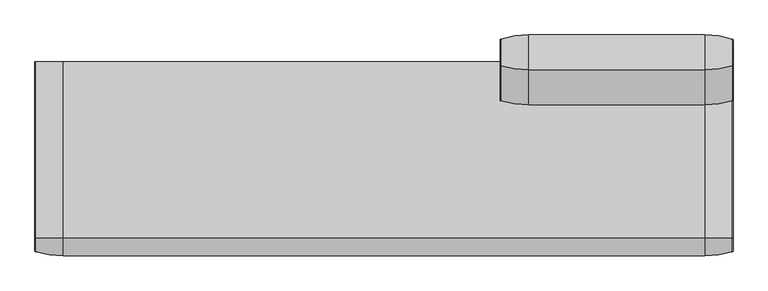
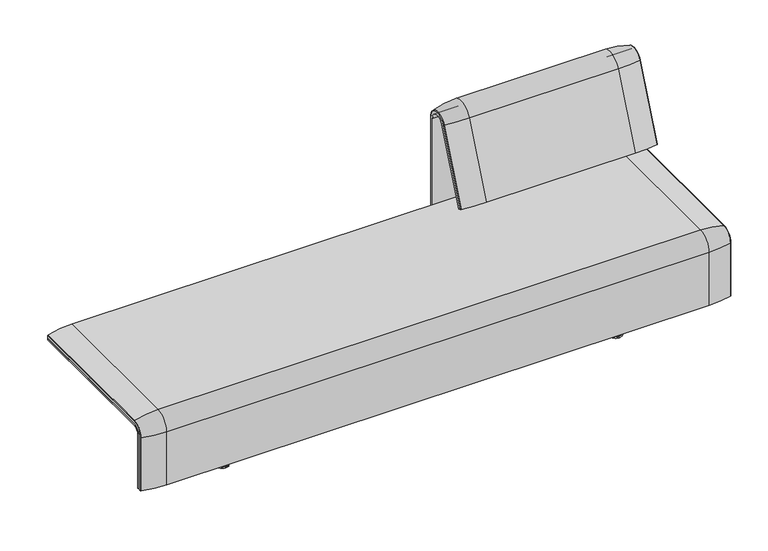
"""IFC4 building model written with IfcOpenShell, lengths in millimetres: furniture geometry."""

from ifc_helpers import new_model, si_unit, point, frame, frame_2d, origin, place, context, project, spatial, polyline, circle_curve, ellipse_curve, trimmed, segment, composite_curve, outline, extrude, source, transform, mapped, element, save
from ifc_brep_helpers import plane_surface, cylinder_surface, revolved_surface, advanced_brep


def furniture_7c0cd62c(model_context):
    return source(origin(), model_context, "Body", "SolidModel", [
        advanced_brep(
        [(1124.0215056, 388.2902376, 100.5089435), (1221.8828771, 373.93893, 100.5089435), (1224.0215056, 371.0652495, 100.5089435), (1224.0215056, 359.7858817, 100.5089435), (408.0071685, 359.7858817, 100.5089435), (408.0071685, 371.0652495, 100.5089435), (410.1457971, 373.93893, 100.5089435), (508.0071685, 388.2902376, 100.5089435), (508.0071685, 388.2902376, 720.3417731), (1124.0215056, 388.2902376, 720.3417731), (1221.8828771, 373.93893, 720.3417731), (1224.0215056, 371.0652495, 720.3417731), (1224.0215056, 282.0164812, 738.0210907), (1224.0215056, 159.7723383, 442.2908598), (1224.0215056, 170.1962447, 437.9819952), (1224.0215056, 292.4403877, 733.7122262), (1224.0215056, 359.7858817, 720.3417731), (408.0071685, 359.7858817, 720.3417731), (1124.0215056, 143.8537454, 448.8710282), (508.0071685, 143.8537454, 448.8710282), (410.1457971, 157.1166065, 443.3886429), (408.0071685, 159.7723383, 442.2908598), (408.0071685, 170.1962447, 437.9819952), (1221.8828771, 157.1166065, 443.3886429), (1124.0215056, 266.0978884, 744.6012592), (508.0071685, 266.0978884, 744.6012592), (1221.8828771, 279.3607494, 739.1188739), (408.0071685, 292.4403877, 733.7122262), (408.0071685, 282.0164812, 738.0210907), (408.0071685, 371.0652495, 720.3417731), (410.1457971, 373.93893, 720.3417731), (410.1457971, 279.3607494, 739.1188739)],
        [
            (0, 1, circle_curve(frame((1124.0215056, 47.4569043, 100.5089435), z_axis=(0.0, 0.0, -1.0), x_axis=(0.0, -1.0, 0.0)), 340.8333333)),
            (1, 2, circle_curve(frame((1221.0215056, 371.0652495, 100.5089435), z_axis=(0.0, 0.0, -1.0), x_axis=(1.0, 0.0, 0.0)), 3.0)),
            (2, 3),
            (3, 4),
            (4, 5),
            (5, 6, circle_curve(frame((411.0071685, 371.0652495, 100.5089435), z_axis=(0.0, 0.0, -1.0), x_axis=(-1.0, 0.0, 0.0)), 3.0)),
            (6, 7, circle_curve(frame((508.0071685, 47.4569043, 100.5089435), z_axis=(0.0, 0.0, -1.0), x_axis=(0.0, -1.0, 0.0)), 340.8333333)),
            (7, 0),
            (7, 8),
            (8, 9),
            (9, 0),
            (9, 10, circle_curve(frame((1124.0215056, 47.4569043, 720.3417731), z_axis=(0.0, 0.0, -1.0), x_axis=(0.0, -1.0, 0.0)), 340.8333333)),
            (10, 1),
            (10, 11, circle_curve(frame((1221.0215056, 371.0652495, 720.3417731), z_axis=(0.0, 0.0, -1.0), x_axis=(1.0, 0.0, 0.0)), 3.0)),
            (11, 2),
            (11, 12, circle_curve(frame((1224.0215056, 324.7858817, 720.3417731), z_axis=(1.0, 0.0, 0.0), x_axis=(0.0, 1.0, 0.0)), 46.2793679)),
            (12, 13),
            (13, 14),
            (14, 15),
            (15, 16, circle_curve(frame((1224.0215056, 324.7858817, 720.3417731), z_axis=(-1.0, 0.0, 0.0), x_axis=(0.0, 1.0, 0.0)), 35.0)),
            (16, 3),
            (16, 17),
            (17, 4),
            (18, 19),
            (19, 20, circle_curve(frame((508.0071685, 458.8372467, 318.6682822), z_axis=(0.0, -0.38201294675155345, -0.9241569717933176), x_axis=(0.0, 0.9241569717933176, -0.38201294675155345)), 340.8333333)),
            (20, 21, circle_curve(frame((411.0071685, 159.7723383, 442.2908598), z_axis=(0.0, -0.38201294675155345, -0.9241569717933176), x_axis=(-1.0, 0.0, 0.0)), 3.0)),
            (21, 22),
            (22, 14),
            (13, 23, circle_curve(frame((1221.0215056, 159.7723383, 442.2908598), z_axis=(0.0, -0.38201294675155345, -0.9241569717933176), x_axis=(1.0, 0.0, 0.0)), 3.0)),
            (23, 18, circle_curve(frame((1124.0215056, 458.8372467, 318.6682822), z_axis=(0.0, -0.38201294675155345, -0.9241569717933176), x_axis=(0.0, 0.9241569717933176, -0.38201294675155345)), 340.8333333)),
            (24, 9, circle_curve(frame((1124.0215056, 324.7858817, 720.3417731), z_axis=(-1.0, 0.0, 0.0), x_axis=(0.0, 1.0, 0.0)), 63.5043559)),
            (8, 25, circle_curve(frame((508.0071685, 324.7858817, 720.3417731), z_axis=(1.0, 0.0, 0.0), x_axis=(0.0, 1.0, 0.0)), 63.5043559)),
            (25, 24),
            (26, 10, circle_curve(frame((1221.8828771, 324.7858817, 720.3417731), z_axis=(-1.0, 0.0, 0.0), x_axis=(0.0, 1.0, 0.0)), 49.1530483)),
            (24, 26, circle_curve(frame((1124.0215056, 581.0813896, 614.3985132), z_axis=(0.0, 0.382012946751556, 0.9241569717933165), x_axis=(0.0, 0.9241569717933165, -0.382012946751556)), 340.8333333)),
            (26, 12, circle_curve(frame((1221.0215056, 282.0164812, 738.0210907), z_axis=(0.0, 0.3820129467515552, 0.9241569717933168), x_axis=(1.0, 0.0, 0.0)), 3.0)),
            (27, 17, circle_curve(frame((408.0071685, 324.7858817, 720.3417731), z_axis=(-1.0, 0.0, 0.0), x_axis=(0.0, 1.0, 0.0)), 35.0)),
            (15, 27),
            (25, 19),
            (18, 24),
            (23, 26),
            (22, 27),
            (21, 28),
            (28, 29, circle_curve(frame((408.0071685, 324.7858817, 720.3417731), z_axis=(-1.0, 0.0, 0.0), x_axis=(0.0, 1.0, 0.0)), 46.2793679)),
            (29, 5),
            (29, 30, circle_curve(frame((411.0071685, 371.0652495, 720.3417731), z_axis=(0.0, 0.0, -1.0), x_axis=(-1.0, 0.0, 0.0)), 3.0)),
            (30, 6),
            (30, 8, circle_curve(frame((508.0071685, 47.4569043, 720.3417731), z_axis=(0.0, 0.0, -1.0), x_axis=(0.0, -1.0, 0.0)), 340.8333333)),
            (31, 30, circle_curve(frame((410.1457971, 324.7858817, 720.3417731), z_axis=(-1.0, 0.0, 0.0), x_axis=(0.0, 1.0, 0.0)), 49.1530483)),
            (28, 31, circle_curve(frame((411.0071685, 282.0164812, 738.0210907), z_axis=(0.0, 0.3820129467515544, 0.9241569717933172), x_axis=(-1.0, 0.0, 0.0)), 3.0)),
            (31, 25, circle_curve(frame((508.0071685, 581.0813896, 614.3985132), z_axis=(0.0, 0.3820129467515532, 0.9241569717933177), x_axis=(0.0, 0.9241569717933177, -0.3820129467515532)), 340.8333333)),
            (20, 31),
        ],
        [
            plane_surface(frame((820.7793603, 359.7858817, 100.5089435), z_axis=(0.0, 0.0, -1.0), x_axis=(1.0, 0.0, 0.0))),
            plane_surface(frame((508.0071685, 388.2902376, 100.5089435), z_axis=(0.0, 1.0, 0.0), x_axis=(0.0, 0.0, 1.0))),
            cylinder_surface(frame((1124.0215056, 47.4569043, 100.5089435), z_axis=(0.0, 0.0, -1.0), x_axis=(0.0, -1.0, 0.0)), 340.8333333),
            cylinder_surface(frame((1221.0215056, 371.0652495, 100.5089435), z_axis=(0.0, 0.0, -1.0), x_axis=(1.0, 0.0, 0.0)), 3.0),
            plane_surface(frame((1224.0215056, 371.0652495, 100.5089435), z_axis=(1.0, 0.0, 0.0), x_axis=(0.0, 0.0, 1.0))),
            plane_surface(frame((1224.0215056, 359.7858817, 100.5089435), z_axis=(0.0, -1.0, 0.0), x_axis=(0.0, 0.0, 1.0))),
            plane_surface(frame((820.7793603, 170.1962447, 437.9819952), z_axis=(0.0, -0.38201294675155345, -0.9241569717933176), x_axis=(1.0, 0.0, 0.0))),
            cylinder_surface(frame((820.7793603, 324.7858817, 720.3417731), z_axis=(1.0, 0.0, 0.0), x_axis=(0.0, 1.0, 0.0)), 63.5043559),
            revolved_surface(trimmed(ellipse_curve(frame((1124.0215056, 47.4569043, 720.3417731), z_axis=(0.0, 0.0, -1.0), x_axis=(0.0, -1.0, 0.0)), 340.8333333, 340.8333333), [point((1124.0215056, 388.2902376, 720.3417731))], [point((1221.8828771, 373.93893, 720.3417731))], True, "CARTESIAN"), (820.7793603, 324.7858817, 720.3417731), (1.0, 0.0, 0.0)),
            revolved_surface(trimmed(ellipse_curve(frame((1221.0215056, 371.0652495, 720.3417731), z_axis=(0.0, 0.0, -1.0), x_axis=(1.0, 0.0, 0.0)), 3.0, 3.0), [point((1221.8828771, 373.93893, 720.3417731))], [point((1224.0215056, 371.0652495, 720.3417731))], True, "CARTESIAN"), (820.7793603, 324.7858817, 720.3417731), (1.0, 0.0, 0.0)),
            revolved_surface(polyline([(1224.0215056, 359.7858817, 720.3417731), (408.0071685, 359.7858817, 720.3417731)]), (820.7793603, 324.7858817, 720.3417731), (1.0, 0.0, 0.0)),
            plane_surface(frame((508.0071685, 266.0978884, 744.6012592), z_axis=(0.0, -0.9241569717933176, 0.38201294675155356), x_axis=(0.0, -0.38201294675155356, -0.9241569717933176))),
            cylinder_surface(frame((1124.0215056, 581.0813896, 614.3985132), z_axis=(0.0, 0.38201294675155345, 0.9241569717933176), x_axis=(0.0, 0.9241569717933176, -0.38201294675155345)), 340.8333333),
            cylinder_surface(frame((1221.0215056, 282.0164812, 738.0210907), z_axis=(0.0, 0.38201294675155345, 0.9241569717933176), x_axis=(1.0, 0.0, 0.0)), 3.0),
            plane_surface(frame((1224.0215056, 292.4403877, 733.7122262), z_axis=(0.0, 0.9241569717933176, -0.38201294675155356), x_axis=(0.0, -0.38201294675155356, -0.9241569717933176))),
            plane_surface(frame((408.0071685, 359.7858817, 100.5089435), z_axis=(-1.0, 0.0, 0.0), x_axis=(0.0, 0.0, 1.0))),
            cylinder_surface(frame((411.0071685, 371.0652495, 100.5089435), z_axis=(0.0, 0.0, -1.0), x_axis=(-1.0, 0.0, 0.0)), 3.0),
            cylinder_surface(frame((508.0071685, 47.4569043, 100.5089435), z_axis=(0.0, 0.0, -1.0), x_axis=(0.0, -1.0, 0.0)), 340.8333333),
            revolved_surface(trimmed(ellipse_curve(frame((411.0071685, 371.0652495, 720.3417731), z_axis=(0.0, 0.0, -1.0), x_axis=(-1.0, 0.0, 0.0)), 3.0, 3.0), [point((408.0071685, 371.0652495, 720.3417731))], [point((410.1457971, 373.93893, 720.3417731))], True, "CARTESIAN"), (820.7793603, 324.7858817, 720.3417731), (1.0, 0.0, 0.0)),
            revolved_surface(trimmed(ellipse_curve(frame((508.0071685, 47.4569043, 720.3417731), z_axis=(0.0, 0.0, -1.0), x_axis=(0.0, -1.0, 0.0)), 340.8333333, 340.8333333), [point((410.1457971, 373.93893, 720.3417731))], [point((508.0071685, 388.2902376, 720.3417731))], True, "CARTESIAN"), (820.7793603, 324.7858817, 720.3417731), (1.0, 0.0, 0.0)),
            cylinder_surface(frame((411.0071685, 282.0164812, 738.0210907), z_axis=(0.0, 0.38201294675155345, 0.9241569717933176), x_axis=(-1.0, 0.0, 0.0)), 3.0),
            cylinder_surface(frame((508.0071685, 581.0813896, 614.3985132), z_axis=(0.0, 0.38201294675155345, 0.9241569717933176), x_axis=(0.0, 0.9241569717933176, -0.38201294675155345)), 340.8333333),
        ],
        [
            (0, [[1, 2, 3, 4, 5, 6, 7, 8]]),
            (1, [[-8, 9, 10, 11]]),
            (2, [[-1, -11, 12, 13]]),
            (3, [[-2, -13, 14, 15]]),
            (4, [[-3, -15, 16, 17, 18, 19, 20, 21]]),
            (5, [[-4, -21, 22, 23]]),
            (6, [[24, 25, 26, 27, 28, -18, 29, 30]]),
            (7, [[31, -10, 32, 33]]),
            (8, [[34, -12, -31, 35]]),
            (9, [[-16, -14, -34, 36]]),
            (10, [[37, -22, -20, 38]]),
            (11, [[-33, 39, -24, 40]]),
            (12, [[-35, -40, -30, 41]]),
            (13, [[-36, -41, -29, -17]]),
            (14, [[-38, -19, -28, 42]]),
            (15, [[-5, -23, -37, -42, -27, 43, 44, 45]]),
            (16, [[-6, -45, 46, 47]]),
            (17, [[-7, -47, 48, -9]]),
            (18, [[49, -46, -44, 50]]),
            (19, [[-32, -48, -49, 51]]),
            (20, [[-50, -43, -26, 52]]),
            (21, [[-51, -52, -25, -39]]),
        ],
    ),
        extrude(outline(composite_curve([segment(trimmed(circle_curve(frame_2d((305.0000061, 379.9223263)), 30.0), [point((305.0000061, 349.9223263))], [point((335.0000061, 379.9223263))], True, "CARTESIAN"), True, "CONTINUOUS"), segment(polyline([(335.0000061, 379.9223263), (335.0000061, 515.0657595)]), True, "CONTINUOUS"), segment(trimmed(circle_curve(frame_2d((305.0000061, 515.0657595)), 30.0), [point((335.0000061, 515.0657595))], [point((316.7219399, 542.6809051))], True, "CARTESIAN"), True, "CONTINUOUS"), segment(polyline([(316.7219399, 542.6809051), (257.4911714, 567.8228747)]), True, "CONTINUOUS"), segment(trimmed(circle_curve(frame_2d((251.6302045, 554.0153019)), 15.0), [point((257.4911714, 567.8228747))], [point((238.0355877, 560.3545758))], True, "CARTESIAN"), True, "CONTINUOUS"), segment(polyline([(238.0355877, 560.3545758), (222.2725218, 526.5505721), (213.7507451, 529.5682915), (296.3054528, 724.0549949)]), True, "CONTINUOUS"), segment(trimmed(circle_curve(frame_2d((322.520748, 712.9272623)), 28.479258), [point((296.3054528, 724.0549949))], [point((351.0000061, 712.9272623))], False, "CARTESIAN"), True, "CONTINUOUS"), segment(polyline([(351.0000061, 712.9272623), (351.0000061, 197.0551771), (343.3075759, 197.0551771), (339.4064861, 271.492405)]), True, "CONTINUOUS"), segment(trimmed(circle_curve(frame_2d((309.4476, 269.9223263)), 30.0), [point((339.4064861, 271.492405))], [point((309.4476, 299.9223263))], True, "CARTESIAN"), True, "CONTINUOUS"), segment(polyline([(309.4476, 299.9223263), (270.0000061, 299.9223263), (270.0000061, 359.9223263), (275.0000061, 359.9223263)]), True, "CONTINUOUS"), segment(trimmed(circle_curve(frame_2d((285.0000061, 359.9223263)), 10.0), [point((275.0000061, 359.9223263))], [point((285.0000061, 349.9223263))], True, "CARTESIAN"), True, "CONTINUOUS"), segment(polyline([(285.0000061, 349.9223263), (305.0000061, 349.9223263)]), True, "CONTINUOUS")], self_intersect=False), holes=[composite_curve([segment(polyline([(337.5000061, 576.3274105), (337.5000061, 716.7072663)]), True, "CONTINUOUS"), segment(trimmed(circle_curve(frame_2d((322.5000061, 716.7072663)), 15.0), [point((337.5000061, 716.7072663))], [point((308.9053893, 723.0465402))], True, "CARTESIAN"), True, "CONTINUOUS"), segment(polyline([(308.9053893, 723.0465402), (253.6256191, 604.4986904)]), True, "CONTINUOUS"), segment(trimmed(circle_curve(frame_2d((271.7517748, 596.0463251)), 20.0), [point((253.6256191, 604.4986904))], [point((265.0756376, 577.1934953))], True, "CARTESIAN"), True, "CONTINUOUS"), segment(polyline([(265.0756376, 577.1934953), (314.1406626, 559.8186587)]), True, "CONTINUOUS"), segment(trimmed(circle_curve(frame_2d((319.9867182, 576.3274105)), 17.5132879), [point((314.1406626, 559.8186587))], [point((337.5000061, 576.3274105))], True, "CARTESIAN"), True, "CONTINUOUS")], self_intersect=False)]), frame((531.0195403, 0.0, 0.0), z_axis=(1.0, 0.0, 0.0), x_axis=(0.0, 1.0, 0.0)), (0.0, 0.0, 1.0), 40.0),
        advanced_brep(
        [(-1223.9718733, 295.0, 359.922434), (-1223.9718733, -323.7517936, 359.922434), (-1223.9718733, -351.0, 332.6742277), (-1223.9718733, -351.0, 100.5089435), (-1223.9718733, -357.5, 100.5089435), (-1223.9718733, -357.5, 333.0583003), (-1223.9718733, -324.3858663, 366.172434), (-1223.9718733, 295.0, 366.172434), (1223.9718733, 295.0, 359.922434), (1223.9718733, 295.0, 366.172434), (1223.9718733, -324.3858663, 366.172434), (1223.9718733, -357.5, 333.0583003), (1223.9718733, -357.5, 100.5089435), (1223.9718733, -351.0, 100.5089435), (1223.9718733, -351.0, 332.6742277), (1223.9718733, -323.7517936, 359.922434), (-1189.0718733, -324.3858663, 366.172434), (-1189.0718733, 260.0, 366.172434), (1189.0718733, 260.0, 366.172434), (1189.0718733, -324.3858663, 366.172434), (-1189.0718733, -357.5, 333.0583003), (1189.0718733, -357.5, 333.0583003), (1189.0718733, -357.5, 135.3766997), (-1189.0718733, -357.5, 135.3766997), (-1189.0718733, -351.0, 332.6742277), (-1189.0718733, -351.0, 135.3766997), (1189.0718733, -351.0, 135.3766997), (1189.0718733, -351.0, 332.6742277), (-1189.0718733, -323.7517936, 359.922434), (1189.0718733, -323.7517936, 359.922434), (1189.0718733, 260.0, 359.922434), (-1189.0718733, 260.0, 359.922434)],
        [
            (0, 1),
            (1, 2, circle_curve(frame((-1223.9718733, -323.7517936, 332.6742277), z_axis=(1.0, 0.0, 0.0), x_axis=(0.0, -1.0, 0.0)), 27.2482064)),
            (2, 3),
            (3, 4),
            (4, 5),
            (5, 6, circle_curve(frame((-1223.9718733, -324.3858663, 333.0583003), z_axis=(-1.0, 0.0, 0.0), x_axis=(0.0, -1.0, 0.0)), 33.1141337)),
            (6, 7),
            (7, 0),
            (8, 9),
            (9, 10),
            (10, 11, circle_curve(frame((1223.9718733, -324.3858663, 333.0583003), z_axis=(1.0, 0.0, 0.0), x_axis=(0.0, -1.0, 0.0)), 33.1141337)),
            (11, 12),
            (12, 13),
            (13, 14),
            (14, 15, circle_curve(frame((1223.9718733, -323.7517936, 332.6742277), z_axis=(-1.0, 0.0, 0.0), x_axis=(0.0, -1.0, 0.0)), 27.2482064)),
            (15, 8),
            (7, 9),
            (8, 0),
            (6, 16),
            (16, 17),
            (17, 18),
            (18, 19),
            (19, 10),
            (5, 20),
            (20, 16, circle_curve(frame((-1189.0718733, -324.3858663, 333.0583003), z_axis=(-1.0, 0.0, 0.0), x_axis=(0.0, -1.0, 0.0)), 33.1141337)),
            (19, 21, circle_curve(frame((1189.0718733, -324.3858663, 333.0583003), z_axis=(1.0, 0.0, 0.0), x_axis=(0.0, -1.0, 0.0)), 33.1141337)),
            (21, 11),
            (4, 12),
            (21, 22),
            (22, 23),
            (23, 20),
            (3, 13),
            (2, 24),
            (24, 25),
            (25, 26),
            (26, 27),
            (27, 14),
            (1, 28),
            (28, 24, circle_curve(frame((-1189.0718733, -323.7517936, 332.6742277), z_axis=(1.0, 0.0, 0.0), x_axis=(0.0, -1.0, 0.0)), 27.2482064)),
            (27, 29, circle_curve(frame((1189.0718733, -323.7517936, 332.6742277), z_axis=(-1.0, 0.0, 0.0), x_axis=(0.0, -1.0, 0.0)), 27.2482064)),
            (29, 15),
            (29, 30),
            (30, 31),
            (31, 28),
            (31, 17),
            (23, 25),
            (26, 22),
            (18, 30),
        ],
        [
            plane_surface(frame((-1223.9718733, -296.9265415, 359.922434), z_axis=(-1.0, 0.0, 0.0), x_axis=(0.0, -1.0, 0.0))),
            plane_surface(frame((1223.9718733, -296.9265415, 359.922434), z_axis=(1.0, 0.0, 0.0), x_axis=(0.0, 1.0, 0.0))),
            plane_surface(frame((-1223.9718733, 295.0, 366.172434), z_axis=(0.0, 1.0, 0.0), x_axis=(1.0, 0.0, 0.0))),
            plane_surface(frame((-1223.9718733, -324.3858663, 366.172434), z_axis=(0.0, 0.0, 1.0), x_axis=(1.0, 0.0, 0.0))),
            cylinder_surface(frame((1223.9718733, -324.3858663, 333.0583003), z_axis=(-1.0, 0.0, 0.0), x_axis=(0.0, -1.0, 0.0)), 33.1141337),
            plane_surface(frame((-1223.9718733, -357.5, 100.5089435), z_axis=(0.0, -1.0, 0.0), x_axis=(1.0, 0.0, 0.0))),
            plane_surface(frame((-1223.9718733, -351.0, 100.5089435), z_axis=(0.0, 0.0, -1.0), x_axis=(1.0, 0.0, 0.0))),
            plane_surface(frame((-1223.9718733, -351.0, 332.6742277), z_axis=(0.0, 1.0, 0.0), x_axis=(1.0, 0.0, 0.0))),
            revolved_surface(polyline([(-1189.0718733000003, -351.0, 332.6742277), (-1223.9718733, -351.0, 332.6742277)]), (1223.9718733, -323.7517936, 332.6742277), (1.0, 0.0, 0.0)),
            revolved_surface(polyline([(1223.9718733, -351.0, 332.6742277), (1189.0718733, -351.0, 332.6742277)]), (1223.9718733, -323.7517936, 332.6742277), (1.0, 0.0, 0.0)),
            plane_surface(frame((-1223.9718733, 295.0, 359.922434), z_axis=(0.0, 0.0, -1.0), x_axis=(1.0, 0.0, 0.0))),
            plane_surface(frame((-1189.0718733, -296.9265415, 359.922434), z_axis=(1.0, 0.0, 0.0), x_axis=(0.0, -1.0, 0.0))),
            plane_surface(frame((1189.0718733, -296.9265415, 359.922434), z_axis=(-1.0, 0.0, 0.0), x_axis=(0.0, 1.0, 0.0))),
            plane_surface(frame((-1189.0718733, 260.0, 366.172434), z_axis=(0.0, -1.0, 0.0), x_axis=(1.0, 0.0, 0.0))),
            plane_surface(frame((-1189.0718733, -351.0, 135.3766997), z_axis=(0.0, 0.0, 1.0), x_axis=(1.0, 0.0, 0.0))),
        ],
        [
            (0, [[1, 2, 3, 4, 5, 6, 7, 8]]),
            (1, [[9, 10, 11, 12, 13, 14, 15, 16]]),
            (2, [[-8, 17, -9, 18]]),
            (3, [[-7, 19, 20, 21, 22, 23, -10, -17]]),
            (4, [[-6, 24, 25, -19]]),
            (4, [[-11, -23, 26, 27]]),
            (5, [[-5, 28, -12, -27, 29, 30, 31, -24]]),
            (6, [[-4, 32, -13, -28]]),
            (7, [[-3, 33, 34, 35, 36, 37, -14, -32]]),
            (8, [[-2, 38, 39, -33]]),
            (9, [[-15, -37, 40, 41]]),
            (10, [[-1, -18, -16, -41, 42, 43, 44, -38]]),
            (11, [[45, -20, -25, -31, 46, -34, -39, -44]]),
            (12, [[47, -29, -26, -22, 48, -42, -40, -36]]),
            (13, [[-45, -43, -48, -21]]),
            (14, [[-46, -30, -47, -35]]),
        ],
    ),
        extrude(outline(composite_curve([segment(polyline([(260.0, 359.922434), (-323.7517936, 359.922434)]), True, "CONTINUOUS"), segment(trimmed(circle_curve(frame_2d((-323.7517936, 332.6742277)), 27.2482064), [point((-323.7517936, 359.922434))], [point((-351.0, 332.6742277))], True, "CARTESIAN"), True, "CONTINUOUS"), segment(polyline([(-351.0, 332.6742277), (-351.0, 135.3766997), (-357.5, 135.3766997), (-357.5, 333.0583003)]), True, "CONTINUOUS"), segment(trimmed(circle_curve(frame_2d((-324.3858663, 333.0583003)), 33.1141337), [point((-357.5, 333.0583003))], [point((-324.3858663, 366.172434))], False, "CARTESIAN"), True, "CONTINUOUS"), segment(polyline([(-324.3858663, 366.172434), (260.0, 366.172434), (260.0, 359.922434)]), True, "CONTINUOUS")], self_intersect=False)), frame((-1189.0718733, 0.0, 0.0), z_axis=(1.0, 0.0, 0.0), x_axis=(0.0, 1.0, 0.0)), (0.0, 0.0, 1.0), 2378.1437465),
        advanced_brep(
        [(-1223.9718733, -368.7793679, 100.5089435), (-1223.9718733, -357.5, 100.5089435), (1223.9718733, -357.5, 100.5089435), (1223.9718733, -368.7793679, 100.5089435), (1221.8332448, -371.6530483, 100.5089435), (1123.9718733, -386.0043559, 100.5089435), (-1123.9718733, -386.0043559, 100.5089435), (-1221.8332448, -371.6530483, 100.5089435), (-1223.9718733, 295.0, 377.4518019), (-1221.8332448, 295.0, 380.3254823), (-1123.9718733, 295.0, 394.67679), (1123.9718733, 295.0, 394.67679), (1221.8332448, 295.0, 380.3254823), (1223.9718733, 295.0, 377.4518019), (1223.9718733, 295.0, 366.172434), (-1223.9718733, 295.0, 366.172434), (-1223.9718733, -368.7793679, 333.0583003), (-1223.9718733, -324.3858663, 377.4518019), (-1223.9718733, -324.3858663, 366.172434), (-1223.9718733, -357.5, 333.0583003), (1223.9718733, -357.5, 333.0583003), (1123.9718733, -386.0043559, 333.0583003), (-1123.9718733, -386.0043559, 333.0583003), (-1221.8332448, -371.6530483, 333.0583003), (1223.9718733, -324.3858663, 366.172434), (-1123.9718733, -324.3858663, 394.67679), (1123.9718733, -324.3858663, 394.67679), (-1221.8332448, -324.3858663, 380.3254823), (1223.9718733, -324.3858663, 377.4518019), (1223.9718733, -368.7793679, 333.0583003), (1221.8332448, -371.6530483, 333.0583003), (1221.8332448, -324.3858663, 380.3254823)],
        [
            (0, 1),
            (1, 2),
            (2, 3),
            (3, 4, circle_curve(frame((1220.9718733, -368.7793679, 100.5089435), z_axis=(0.0, 0.0, -1.0), x_axis=(-1.0, 0.0, 0.0)), 3.0)),
            (4, 5, circle_curve(frame((1123.9718733, -45.1710226, 100.5089435), z_axis=(0.0, 0.0, -1.0), x_axis=(0.0, 1.0, 0.0)), 340.8333333)),
            (5, 6),
            (6, 7, circle_curve(frame((-1123.9718733, -45.1710226, 100.5089435), z_axis=(0.0, 0.0, -1.0), x_axis=(0.0, 1.0, 0.0)), 340.8333333)),
            (7, 0, circle_curve(frame((-1220.9718733, -368.7793679, 100.5089435), z_axis=(0.0, 0.0, -1.0), x_axis=(1.0, 0.0, 0.0)), 3.0)),
            (8, 9, circle_curve(frame((-1220.9718733, 295.0, 377.4518019), z_axis=(0.0, 1.0, 0.0), x_axis=(1.0, 0.0, 0.0)), 3.0)),
            (9, 10, circle_curve(frame((-1123.9718733, 295.0, 53.8434566), z_axis=(0.0, 1.0, 0.0), x_axis=(0.0, 0.0, -1.0)), 340.8333333)),
            (10, 11),
            (11, 12, circle_curve(frame((1123.9718733, 295.0, 53.8434566), z_axis=(0.0, 1.0, 0.0), x_axis=(0.0, 0.0, -1.0)), 340.8333333)),
            (12, 13, circle_curve(frame((1220.9718733, 295.0, 377.4518019), z_axis=(0.0, 1.0, 0.0), x_axis=(-1.0, 0.0, 0.0)), 3.0)),
            (13, 14),
            (14, 15),
            (15, 8),
            (0, 16),
            (16, 17, circle_curve(frame((-1223.9718733, -324.3858663, 333.0583003), z_axis=(-1.0, 0.0, 0.0), x_axis=(0.0, -1.0, 0.0)), 44.3935016)),
            (17, 8),
            (15, 18),
            (18, 19, circle_curve(frame((-1223.9718733, -324.3858663, 333.0583003), z_axis=(1.0, 0.0, 0.0), x_axis=(0.0, -1.0, 0.0)), 33.1141337)),
            (19, 1),
            (19, 20),
            (20, 2),
            (5, 21),
            (21, 22),
            (22, 6),
            (22, 23, circle_curve(frame((-1123.9718733, -45.1710226, 333.0583003), z_axis=(0.0, 0.0, -1.0), x_axis=(0.0, 1.0, 0.0)), 340.8333333)),
            (23, 7),
            (23, 16, circle_curve(frame((-1220.9718733, -368.7793679, 333.0583003), z_axis=(0.0, 0.0, -1.0), x_axis=(1.0, 0.0, 0.0)), 3.0)),
            (24, 20, circle_curve(frame((1223.9718733, -324.3858663, 333.0583003), z_axis=(1.0, 0.0, 0.0), x_axis=(0.0, -1.0, 0.0)), 33.1141337)),
            (18, 24),
            (25, 22, circle_curve(frame((-1123.9718733, -324.3858663, 333.0583003), z_axis=(1.0, 0.0, 0.0), x_axis=(0.0, -1.0, 0.0)), 61.6184897)),
            (21, 26, circle_curve(frame((1123.9718733, -324.3858663, 333.0583003), z_axis=(-1.0, 0.0, 0.0), x_axis=(0.0, -1.0, 0.0)), 61.6184897)),
            (26, 25),
            (27, 23, circle_curve(frame((-1221.8332448, -324.3858663, 333.0583003), z_axis=(1.0, 0.0, 0.0), x_axis=(0.0, -1.0, 0.0)), 47.267182)),
            (25, 27, circle_curve(frame((-1123.9718733, -324.3858663, 53.8434566), z_axis=(0.0, -1.0, 0.0), x_axis=(0.0, 0.0, -1.0)), 340.8333333)),
            (27, 17, circle_curve(frame((-1220.9718733, -324.3858663, 377.4518019), z_axis=(0.0, -1.0, 0.0), x_axis=(1.0, 0.0, 0.0)), 3.0)),
            (14, 24),
            (26, 11),
            (10, 25),
            (9, 27),
            (13, 28),
            (28, 29, circle_curve(frame((1223.9718733, -324.3858663, 333.0583003), z_axis=(1.0, 0.0, 0.0), x_axis=(0.0, -1.0, 0.0)), 44.3935016)),
            (29, 3),
            (29, 30, circle_curve(frame((1220.9718733, -368.7793679, 333.0583003), z_axis=(0.0, 0.0, -1.0), x_axis=(-1.0, 0.0, 0.0)), 3.0)),
            (30, 4),
            (30, 21, circle_curve(frame((1123.9718733, -45.1710226, 333.0583003), z_axis=(0.0, 0.0, -1.0), x_axis=(0.0, 1.0, 0.0)), 340.8333333)),
            (31, 30, circle_curve(frame((1221.8332448, -324.3858663, 333.0583003), z_axis=(1.0, 0.0, 0.0), x_axis=(0.0, -1.0, 0.0)), 47.267182)),
            (28, 31, circle_curve(frame((1220.9718733, -324.3858663, 377.4518019), z_axis=(0.0, -1.0, 0.0), x_axis=(-1.0, 0.0, 0.0)), 3.0)),
            (31, 26, circle_curve(frame((1123.9718733, -324.3858663, 53.8434566), z_axis=(0.0, -1.0, 0.0), x_axis=(0.0, 0.0, -1.0)), 340.8333333)),
            (12, 31),
        ],
        [
            plane_surface(frame((-1223.9718733, -357.5, 100.5089435), z_axis=(0.0, 0.0, -1.0), x_axis=(1.0, 0.0, 0.0))),
            plane_surface(frame((-1223.9718733, 295.0, 366.172434), z_axis=(0.0, 1.0, 0.0), x_axis=(1.0, 0.0, 0.0))),
            plane_surface(frame((-1223.9718733, -368.7793679, 100.5089435), z_axis=(-1.0, 0.0, 0.0), x_axis=(0.0, 0.0, 1.0))),
            plane_surface(frame((-1223.9718733, -357.5, 100.5089435), z_axis=(0.0, 1.0, 0.0), x_axis=(0.0, 0.0, 1.0))),
            plane_surface(frame((1123.9718733, -386.0043559, 100.5089435), z_axis=(0.0, -1.0, 0.0), x_axis=(0.0, 0.0, 1.0))),
            cylinder_surface(frame((-1123.9718733, -45.1710226, 100.5089435), z_axis=(0.0, 0.0, -1.0), x_axis=(0.0, 1.0, 0.0)), 340.8333333),
            cylinder_surface(frame((-1220.9718733, -368.7793679, 100.5089435), z_axis=(0.0, 0.0, -1.0), x_axis=(1.0, 0.0, 0.0)), 3.0),
            revolved_surface(polyline([(-1223.9718733, -357.5, 333.0583003), (1223.9718733, -357.5, 333.0583003)]), (-1223.9718733, -324.3858663, 333.0583003), (-1.0, 0.0, 0.0)),
            cylinder_surface(frame((-1223.9718733, -324.3858663, 333.0583003), z_axis=(-1.0, 0.0, 0.0), x_axis=(0.0, -1.0, 0.0)), 61.6184897),
            revolved_surface(trimmed(ellipse_curve(frame((-1123.9718733, -45.1710226, 333.0583003), z_axis=(0.0, 0.0, -1.0), x_axis=(0.0, 1.0, 0.0)), 340.8333333, 340.8333333), [point((-1123.9718733, -386.0043559, 333.0583003))], [point((-1221.8332448, -371.6530483, 333.0583003))], True, "CARTESIAN"), (-1223.9718733, -324.3858663, 333.0583003), (-1.0, 0.0, 0.0)),
            revolved_surface(trimmed(ellipse_curve(frame((-1220.9718733, -368.7793679, 333.0583003), z_axis=(0.0, 0.0, -1.0), x_axis=(1.0, 0.0, 0.0)), 3.0, 3.0), [point((-1221.8332448, -371.6530483, 333.0583003))], [point((-1223.9718733, -368.7793679, 333.0583003))], True, "CARTESIAN"), (-1223.9718733, -324.3858663, 333.0583003), (-1.0, 0.0, 0.0)),
            plane_surface(frame((-1223.9718733, -324.3858663, 366.172434), z_axis=(0.0, 0.0, -1.0), x_axis=(0.0, 1.0, 0.0))),
            plane_surface(frame((1123.9718733, -324.3858663, 394.67679), z_axis=(0.0, 0.0, 1.0), x_axis=(0.0, 1.0, 0.0))),
            cylinder_surface(frame((-1123.9718733, -324.3858663, 53.8434566), z_axis=(0.0, -1.0, 0.0), x_axis=(0.0, 0.0, -1.0)), 340.8333333),
            cylinder_surface(frame((-1220.9718733, -324.3858663, 377.4518019), z_axis=(0.0, -1.0, 0.0), x_axis=(1.0, 0.0, 0.0)), 3.0),
            plane_surface(frame((1223.9718733, -357.5, 100.5089435), z_axis=(1.0, 0.0, 0.0), x_axis=(0.0, 0.0, 1.0))),
            cylinder_surface(frame((1220.9718733, -368.7793679, 100.5089435), z_axis=(0.0, 0.0, -1.0), x_axis=(-1.0, 0.0, 0.0)), 3.0),
            cylinder_surface(frame((1123.9718733, -45.1710226, 100.5089435), z_axis=(0.0, 0.0, -1.0), x_axis=(0.0, 1.0, 0.0)), 340.8333333),
            revolved_surface(trimmed(ellipse_curve(frame((1220.9718733, -368.7793679, 333.0583003), z_axis=(0.0, 0.0, -1.0), x_axis=(-1.0, 0.0, 0.0)), 3.0, 3.0), [point((1223.9718733, -368.7793679, 333.0583003))], [point((1221.8332448, -371.6530483, 333.0583003))], True, "CARTESIAN"), (-1223.9718733, -324.3858663, 333.0583003), (-1.0, 0.0, 0.0)),
            revolved_surface(trimmed(ellipse_curve(frame((1123.9718733, -45.1710226, 333.0583003), z_axis=(0.0, 0.0, -1.0), x_axis=(0.0, 1.0, 0.0)), 340.8333333, 340.8333333), [point((1221.8332448, -371.6530483, 333.0583003))], [point((1123.9718733, -386.0043559, 333.0583003))], True, "CARTESIAN"), (-1223.9718733, -324.3858663, 333.0583003), (-1.0, 0.0, 0.0)),
            cylinder_surface(frame((1220.9718733, -324.3858663, 377.4518019), z_axis=(0.0, -1.0, 0.0), x_axis=(-1.0, 0.0, 0.0)), 3.0),
            cylinder_surface(frame((1123.9718733, -324.3858663, 53.8434566), z_axis=(0.0, -1.0, 0.0), x_axis=(0.0, 0.0, -1.0)), 340.8333333),
        ],
        [
            (0, [[1, 2, 3, 4, 5, 6, 7, 8]]),
            (1, [[9, 10, 11, 12, 13, 14, 15, 16]]),
            (2, [[-1, 17, 18, 19, -16, 20, 21, 22]]),
            (3, [[-2, -22, 23, 24]]),
            (4, [[-6, 25, 26, 27]]),
            (5, [[-7, -27, 28, 29]]),
            (6, [[-8, -29, 30, -17]]),
            (7, [[31, -23, -21, 32]]),
            (8, [[33, -26, 34, 35]]),
            (9, [[36, -28, -33, 37]]),
            (10, [[-18, -30, -36, 38]]),
            (11, [[-32, -20, -15, 39]]),
            (12, [[-35, 40, -11, 41]]),
            (13, [[-37, -41, -10, 42]]),
            (14, [[-38, -42, -9, -19]]),
            (15, [[-3, -24, -31, -39, -14, 43, 44, 45]]),
            (16, [[-4, -45, 46, 47]]),
            (17, [[-5, -47, 48, -25]]),
            (18, [[49, -46, -44, 50]]),
            (19, [[-34, -48, -49, 51]]),
            (20, [[-50, -43, -13, 52]]),
            (21, [[-51, -52, -12, -40]]),
        ],
    ),
        advanced_brep(
        [(815.9812488, -250.0000031, 0.0), (815.9812488, -225.0000031, 0.0), (815.9812488, -275.0000031, 0.0), (815.9812488, -262.4715672, 344.8637637), (815.9812488, -237.5284391, 344.8637637), (815.9812488, -250.0000031, 344.8637637), (815.9812488, -262.4715672, 16.2604994), (815.9812488, -237.5284391, 16.2604994), (815.9812488, -273.2294713, 5.5025953), (815.9812488, -226.770535, 5.5025953), (815.9812488, -275.0000031, 5.5025953), (815.9812488, -225.0000031, 5.5025953)],
        [
            (0, 1),
            (1, 2, circle_curve(frame((815.9812488, -250.0000031, 0.0), z_axis=(0.0, 0.0, -1.0), x_axis=(0.0, 1.0, 0.0)), 25.0)),
            (2, 0),
            (2, 1, circle_curve(frame((815.9812488, -250.0000031, 0.0), z_axis=(0.0, 0.0, -1.0), x_axis=(0.0, 1.0, 0.0)), 25.0)),
            (3, 4, circle_curve(frame((815.9812488, -250.0000031, 344.8637637), z_axis=(0.0, 0.0, 1.0), x_axis=(0.0, 1.0, 0.0)), 12.471564)),
            (4, 5),
            (5, 3),
            (4, 3, circle_curve(frame((815.9812488, -250.0000031, 344.8637637), z_axis=(0.0, 0.0, 1.0), x_axis=(0.0, 1.0, 0.0)), 12.471564)),
            (6, 7, circle_curve(frame((815.9812488, -250.0000031, 16.2604994), z_axis=(0.0, 0.0, 1.0), x_axis=(0.0, 1.0, 0.0)), 12.471564)),
            (7, 4),
            (3, 6),
            (7, 6, circle_curve(frame((815.9812488, -250.0000031, 16.2604994), z_axis=(0.0, 0.0, 1.0), x_axis=(0.0, 1.0, 0.0)), 12.471564)),
            (8, 9, circle_curve(frame((815.9812488, -250.0000031, 5.5025953), z_axis=(0.0, 0.0, 1.0), x_axis=(0.0, 1.0, 0.0)), 23.2294681)),
            (9, 7, circle_curve(frame((815.9812488, -226.770535, 16.2604994), z_axis=(-1.0, 0.0, 0.0), x_axis=(0.0, 1.0, 0.0)), 10.7579041)),
            (6, 8, circle_curve(frame((815.9812488, -273.2294713, 16.2604994), z_axis=(-1.0, 0.0, 0.0), x_axis=(0.0, -1.0, 0.0)), 10.7579041)),
            (9, 8, circle_curve(frame((815.9812488, -250.0000031, 5.5025953), z_axis=(0.0, 0.0, 1.0), x_axis=(0.0, 1.0, 0.0)), 23.2294681)),
            (10, 11, circle_curve(frame((815.9812488, -250.0000031, 5.5025953), z_axis=(0.0, 0.0, 1.0), x_axis=(0.0, 1.0, 0.0)), 25.0)),
            (11, 9),
            (8, 10),
            (11, 10, circle_curve(frame((815.9812488, -250.0000031, 5.5025953), z_axis=(0.0, 0.0, 1.0), x_axis=(0.0, 1.0, 0.0)), 25.0)),
            (1, 11),
            (10, 2),
        ],
        [
            plane_surface(frame((815.9812488, -250.0000031, 0.0), z_axis=(0.0, 0.0, -1.0), x_axis=(0.0, 1.0, 0.0))),
            plane_surface(frame((815.9812488, -250.0000031, 344.8637637), z_axis=(0.0, 0.0, 1.0), x_axis=(0.0, 1.0, 0.0))),
            cylinder_surface(frame((815.9812488, -250.0000031, 344.8637637), z_axis=(0.0, 0.0, -1.0), x_axis=(0.0, 1.0, 0.0)), 12.471564),
            revolved_surface(trimmed(ellipse_curve(frame((815.9812488, -226.770535, 16.2604994), z_axis=(1.0, 0.0, 0.0), x_axis=(0.0, 1.0, 0.0)), 10.7579041, 10.7579041), [point((815.9812488, -237.5284391, 16.2604994))], [point((815.9812488, -226.770535, 5.5025953))], True, "CARTESIAN"), (815.9812488, -250.0000031, 344.8637637), (0.0, 0.0, -1.0)),
            plane_surface(frame((815.9812488, -250.0000031, 5.5025953), z_axis=(0.0, 0.0, 1.0), x_axis=(0.0, 1.0, 0.0))),
            cylinder_surface(frame((815.9812488, -250.0000031, 344.8637637), z_axis=(0.0, 0.0, -1.0), x_axis=(0.0, 1.0, 0.0)), 25.0),
        ],
        [
            (0, [[1, 2, 3]]),
            (0, [[-3, 4, -1]]),
            (1, [[5, 6, 7]]),
            (1, [[8, -7, -6]]),
            (2, [[9, 10, -5, 11]]),
            (2, [[12, -11, -8, -10]]),
            (3, [[13, 14, -9, 15]]),
            (3, [[16, -15, -12, -14]]),
            (4, [[17, 18, -13, 19]]),
            (4, [[20, -19, -16, -18]]),
            (5, [[-2, 21, -17, 22]]),
            (5, [[-4, -22, -20, -21]]),
        ],
    ),
        advanced_brep(
        [(815.9812488, 275.0000031, 0.0), (815.9812488, 225.0000031, 0.0), (815.9812488, 250.0000031, 0.0), (815.9812488, 250.0000031, 344.8637637), (815.9812488, 237.5284391, 344.8637637), (815.9812488, 262.4715672, 344.8637637), (815.9812488, 237.5284391, 16.2604994), (815.9812488, 262.4715672, 16.2604994), (815.9812488, 226.770535, 5.5025953), (815.9812488, 273.2294713, 5.5025953), (815.9812488, 225.0000031, 5.5025953), (815.9812488, 275.0000031, 5.5025953)],
        [
            (0, 1, circle_curve(frame((815.9812488, 250.0000031, 0.0), z_axis=(0.0, 0.0, -1.0), x_axis=(0.0, -1.0, 0.0)), 25.0)),
            (1, 2),
            (2, 0),
            (1, 0, circle_curve(frame((815.9812488, 250.0000031, 0.0), z_axis=(0.0, 0.0, -1.0), x_axis=(0.0, -1.0, 0.0)), 25.0)),
            (3, 4),
            (4, 5, circle_curve(frame((815.9812488, 250.0000031, 344.8637637), z_axis=(0.0, 0.0, 1.0), x_axis=(0.0, -1.0, 0.0)), 12.471564)),
            (5, 3),
            (5, 4, circle_curve(frame((815.9812488, 250.0000031, 344.8637637), z_axis=(0.0, 0.0, 1.0), x_axis=(0.0, -1.0, 0.0)), 12.471564)),
            (4, 6),
            (6, 7, circle_curve(frame((815.9812488, 250.0000031, 16.2604994), z_axis=(0.0, 0.0, 1.0), x_axis=(0.0, -1.0, 0.0)), 12.471564)),
            (7, 5),
            (7, 6, circle_curve(frame((815.9812488, 250.0000031, 16.2604994), z_axis=(0.0, 0.0, 1.0), x_axis=(0.0, -1.0, 0.0)), 12.471564)),
            (6, 8, circle_curve(frame((815.9812488, 226.770535, 16.2604994), z_axis=(-1.0, 0.0, 0.0), x_axis=(0.0, -1.0, 0.0)), 10.7579041)),
            (8, 9, circle_curve(frame((815.9812488, 250.0000031, 5.5025953), z_axis=(0.0, 0.0, 1.0), x_axis=(0.0, -1.0, 0.0)), 23.2294681)),
            (9, 7, circle_curve(frame((815.9812488, 273.2294713, 16.2604994), z_axis=(-1.0, 0.0, 0.0), x_axis=(0.0, 1.0, 0.0)), 10.7579041)),
            (9, 8, circle_curve(frame((815.9812488, 250.0000031, 5.5025953), z_axis=(0.0, 0.0, 1.0), x_axis=(0.0, -1.0, 0.0)), 23.2294681)),
            (8, 10),
            (10, 11, circle_curve(frame((815.9812488, 250.0000031, 5.5025953), z_axis=(0.0, 0.0, 1.0), x_axis=(0.0, -1.0, 0.0)), 25.0)),
            (11, 9),
            (11, 10, circle_curve(frame((815.9812488, 250.0000031, 5.5025953), z_axis=(0.0, 0.0, 1.0), x_axis=(0.0, -1.0, 0.0)), 25.0)),
            (10, 1),
            (0, 11),
        ],
        [
            plane_surface(frame((815.9812488, 250.0000031, 0.0), z_axis=(0.0, 0.0, -1.0), x_axis=(0.0, -1.0, 0.0))),
            plane_surface(frame((815.9812488, 250.0000031, 344.8637637), z_axis=(0.0, 0.0, 1.0), x_axis=(0.0, -1.0, 0.0))),
            cylinder_surface(frame((815.9812488, 250.0000031, 344.8637637), z_axis=(0.0, 0.0, 1.0), x_axis=(0.0, -1.0, 0.0)), 12.471564),
            revolved_surface(trimmed(ellipse_curve(frame((815.9812488, 226.770535, 16.2604994), z_axis=(1.0, 0.0, 0.0), x_axis=(0.0, -1.0, 0.0)), 10.7579041, 10.7579041), [point((815.9812488, 226.770535, 5.5025953))], [point((815.9812488, 237.5284391, 16.2604994))], True, "CARTESIAN"), (815.9812488, 250.0000031, 344.8637637), (0.0, 0.0, 1.0)),
            plane_surface(frame((815.9812488, 250.0000031, 5.5025953), z_axis=(0.0, 0.0, 1.0), x_axis=(0.0, -1.0, 0.0))),
            cylinder_surface(frame((815.9812488, 250.0000031, 344.8637637), z_axis=(0.0, 0.0, 1.0), x_axis=(0.0, -1.0, 0.0)), 25.0),
        ],
        [
            (0, [[1, 2, 3]]),
            (0, [[4, -3, -2]]),
            (1, [[5, 6, 7]]),
            (1, [[-7, 8, -5]]),
            (2, [[-6, 9, 10, 11]]),
            (2, [[-8, -11, 12, -9]]),
            (3, [[-10, 13, 14, 15]]),
            (3, [[-12, -15, 16, -13]]),
            (4, [[-14, 17, 18, 19]]),
            (4, [[-16, -19, 20, -17]]),
            (5, [[-18, 21, -1, 22]]),
            (5, [[-20, -22, -4, -21]]),
        ],
    ),
        advanced_brep(
        [(-815.9812488, -275.0000031, 0.0), (-815.9812488, -225.0000031, 0.0), (-815.9812488, -250.0000031, 0.0), (-815.9812488, -250.0000031, 344.8637637), (-815.9812488, -237.5284391, 344.8637637), (-815.9812488, -262.4715672, 344.8637637), (-815.9812488, -237.5284391, 16.2604994), (-815.9812488, -262.4715672, 16.2604994), (-815.9812488, -226.770535, 5.5025953), (-815.9812488, -273.2294713, 5.5025953), (-815.9812488, -225.0000031, 5.5025953), (-815.9812488, -275.0000031, 5.5025953)],
        [
            (0, 1, circle_curve(frame((-815.9812488, -250.0000031, 0.0), z_axis=(0.0, 0.0, -1.0), x_axis=(0.0, 1.0, 0.0)), 25.0)),
            (1, 2),
            (2, 0),
            (1, 0, circle_curve(frame((-815.9812488, -250.0000031, 0.0), z_axis=(0.0, 0.0, -1.0), x_axis=(0.0, 1.0, 0.0)), 25.0)),
            (3, 4),
            (4, 5, circle_curve(frame((-815.9812488, -250.0000031, 344.8637637), z_axis=(0.0, 0.0, 1.0), x_axis=(0.0, 1.0, 0.0)), 12.471564)),
            (5, 3),
            (5, 4, circle_curve(frame((-815.9812488, -250.0000031, 344.8637637), z_axis=(0.0, 0.0, 1.0), x_axis=(0.0, 1.0, 0.0)), 12.471564)),
            (4, 6),
            (6, 7, circle_curve(frame((-815.9812488, -250.0000031, 16.2604994), z_axis=(0.0, 0.0, 1.0), x_axis=(0.0, 1.0, 0.0)), 12.471564)),
            (7, 5),
            (7, 6, circle_curve(frame((-815.9812488, -250.0000031, 16.2604994), z_axis=(0.0, 0.0, 1.0), x_axis=(0.0, 1.0, 0.0)), 12.471564)),
            (6, 8, circle_curve(frame((-815.9812488, -226.770535, 16.2604994), z_axis=(1.0, 0.0, 0.0), x_axis=(0.0, 1.0, 0.0)), 10.7579041)),
            (8, 9, circle_curve(frame((-815.9812488, -250.0000031, 5.5025953), z_axis=(0.0, 0.0, 1.0), x_axis=(0.0, 1.0, 0.0)), 23.2294681)),
            (9, 7, circle_curve(frame((-815.9812488, -273.2294713, 16.2604994), z_axis=(1.0, 0.0, 0.0), x_axis=(0.0, -1.0, 0.0)), 10.7579041)),
            (9, 8, circle_curve(frame((-815.9812488, -250.0000031, 5.5025953), z_axis=(0.0, 0.0, 1.0), x_axis=(0.0, 1.0, 0.0)), 23.2294681)),
            (8, 10),
            (10, 11, circle_curve(frame((-815.9812488, -250.0000031, 5.5025953), z_axis=(0.0, 0.0, 1.0), x_axis=(0.0, 1.0, 0.0)), 25.0)),
            (11, 9),
            (11, 10, circle_curve(frame((-815.9812488, -250.0000031, 5.5025953), z_axis=(0.0, 0.0, 1.0), x_axis=(0.0, 1.0, 0.0)), 25.0)),
            (10, 1),
            (0, 11),
        ],
        [
            plane_surface(frame((-815.9812488, -250.0000031, 0.0), z_axis=(0.0, 0.0, -1.0), x_axis=(0.0, 1.0, 0.0))),
            plane_surface(frame((-815.9812488, -250.0000031, 344.8637637), z_axis=(0.0, 0.0, 1.0), x_axis=(0.0, 1.0, 0.0))),
            cylinder_surface(frame((-815.9812488, -250.0000031, 344.8637637), z_axis=(0.0, 0.0, 1.0), x_axis=(0.0, 1.0, 0.0)), 12.471564),
            revolved_surface(trimmed(ellipse_curve(frame((-815.9812488, -226.770535, 16.2604994), z_axis=(-1.0, 0.0, 0.0), x_axis=(0.0, 1.0, 0.0)), 10.7579041, 10.7579041), [point((-815.9812488, -226.770535, 5.5025953))], [point((-815.9812488, -237.5284391, 16.2604994))], True, "CARTESIAN"), (-815.9812488, -250.0000031, 344.8637637), (0.0, 0.0, 1.0)),
            plane_surface(frame((-815.9812488, -250.0000031, 5.5025953), z_axis=(0.0, 0.0, 1.0), x_axis=(0.0, 1.0, 0.0))),
            cylinder_surface(frame((-815.9812488, -250.0000031, 344.8637637), z_axis=(0.0, 0.0, 1.0), x_axis=(0.0, 1.0, 0.0)), 25.0),
        ],
        [
            (0, [[1, 2, 3]]),
            (0, [[4, -3, -2]]),
            (1, [[5, 6, 7]]),
            (1, [[-7, 8, -5]]),
            (2, [[-6, 9, 10, 11]]),
            (2, [[-8, -11, 12, -9]]),
            (3, [[-10, 13, 14, 15]]),
            (3, [[-12, -15, 16, -13]]),
            (4, [[-14, 17, 18, 19]]),
            (4, [[-16, -19, 20, -17]]),
            (5, [[-18, 21, -1, 22]]),
            (5, [[-20, -22, -4, -21]]),
        ],
    ),
        advanced_brep(
        [(-815.9812488, 250.0000031, 0.0), (-815.9812488, 225.0000031, 0.0), (-815.9812488, 275.0000031, 0.0), (-815.9812488, 262.4715672, 344.8637637), (-815.9812488, 237.5284391, 344.8637637), (-815.9812488, 250.0000031, 344.8637637), (-815.9812488, 262.4715672, 16.2604994), (-815.9812488, 237.5284391, 16.2604994), (-815.9812488, 273.2294713, 5.5025953), (-815.9812488, 226.770535, 5.5025953), (-815.9812488, 275.0000031, 5.5025953), (-815.9812488, 225.0000031, 5.5025953)],
        [
            (0, 1),
            (1, 2, circle_curve(frame((-815.9812488, 250.0000031, 0.0), z_axis=(0.0, 0.0, -1.0), x_axis=(0.0, -1.0, 0.0)), 25.0)),
            (2, 0),
            (2, 1, circle_curve(frame((-815.9812488, 250.0000031, 0.0), z_axis=(0.0, 0.0, -1.0), x_axis=(0.0, -1.0, 0.0)), 25.0)),
            (3, 4, circle_curve(frame((-815.9812488, 250.0000031, 344.8637637), z_axis=(0.0, 0.0, 1.0), x_axis=(0.0, -1.0, 0.0)), 12.471564)),
            (4, 5),
            (5, 3),
            (4, 3, circle_curve(frame((-815.9812488, 250.0000031, 344.8637637), z_axis=(0.0, 0.0, 1.0), x_axis=(0.0, -1.0, 0.0)), 12.471564)),
            (6, 7, circle_curve(frame((-815.9812488, 250.0000031, 16.2604994), z_axis=(0.0, 0.0, 1.0), x_axis=(0.0, -1.0, 0.0)), 12.471564)),
            (7, 4),
            (3, 6),
            (7, 6, circle_curve(frame((-815.9812488, 250.0000031, 16.2604994), z_axis=(0.0, 0.0, 1.0), x_axis=(0.0, -1.0, 0.0)), 12.471564)),
            (8, 9, circle_curve(frame((-815.9812488, 250.0000031, 5.5025953), z_axis=(0.0, 0.0, 1.0), x_axis=(0.0, -1.0, 0.0)), 23.2294681)),
            (9, 7, circle_curve(frame((-815.9812488, 226.770535, 16.2604994), z_axis=(1.0, 0.0, 0.0), x_axis=(0.0, -1.0, 0.0)), 10.7579041)),
            (6, 8, circle_curve(frame((-815.9812488, 273.2294713, 16.2604994), z_axis=(1.0, 0.0, 0.0), x_axis=(0.0, 1.0, 0.0)), 10.7579041)),
            (9, 8, circle_curve(frame((-815.9812488, 250.0000031, 5.5025953), z_axis=(0.0, 0.0, 1.0), x_axis=(0.0, -1.0, 0.0)), 23.2294681)),
            (10, 11, circle_curve(frame((-815.9812488, 250.0000031, 5.5025953), z_axis=(0.0, 0.0, 1.0), x_axis=(0.0, -1.0, 0.0)), 25.0)),
            (11, 9),
            (8, 10),
            (11, 10, circle_curve(frame((-815.9812488, 250.0000031, 5.5025953), z_axis=(0.0, 0.0, 1.0), x_axis=(0.0, -1.0, 0.0)), 25.0)),
            (1, 11),
            (10, 2),
        ],
        [
            plane_surface(frame((-815.9812488, 250.0000031, 0.0), z_axis=(0.0, 0.0, -1.0), x_axis=(0.0, -1.0, 0.0))),
            plane_surface(frame((-815.9812488, 250.0000031, 344.8637637), z_axis=(0.0, 0.0, 1.0), x_axis=(0.0, -1.0, 0.0))),
            cylinder_surface(frame((-815.9812488, 250.0000031, 344.8637637), z_axis=(0.0, 0.0, -1.0), x_axis=(0.0, -1.0, 0.0)), 12.471564),
            revolved_surface(trimmed(ellipse_curve(frame((-815.9812488, 226.770535, 16.2604994), z_axis=(-1.0, 0.0, 0.0), x_axis=(0.0, -1.0, 0.0)), 10.7579041, 10.7579041), [point((-815.9812488, 237.5284391, 16.2604994))], [point((-815.9812488, 226.770535, 5.5025953))], True, "CARTESIAN"), (-815.9812488, 250.0000031, 344.8637637), (0.0, 0.0, -1.0)),
            plane_surface(frame((-815.9812488, 250.0000031, 5.5025953), z_axis=(0.0, 0.0, 1.0), x_axis=(0.0, -1.0, 0.0))),
            cylinder_surface(frame((-815.9812488, 250.0000031, 344.8637637), z_axis=(0.0, 0.0, -1.0), x_axis=(0.0, -1.0, 0.0)), 25.0),
        ],
        [
            (0, [[1, 2, 3]]),
            (0, [[-3, 4, -1]]),
            (1, [[5, 6, 7]]),
            (1, [[8, -7, -6]]),
            (2, [[9, 10, -5, 11]]),
            (2, [[12, -11, -8, -10]]),
            (3, [[13, 14, -9, 15]]),
            (3, [[16, -15, -12, -14]]),
            (4, [[17, 18, -13, 19]]),
            (4, [[20, -19, -16, -18]]),
            (5, [[-2, 21, -17, 22]]),
            (5, [[-4, -22, -20, -21]]),
        ],
    ),
    ])


if __name__ == "__main__":
    model = new_model("IFC4")
    model_context = context("Model", 3, world=origin())
    ifc_project = project(units=[si_unit("LENGTHUNIT", "METRE", prefix="MILLI")], contexts=[model_context])
    site = spatial("IfcSite", under=ifc_project)
    building = spatial("IfcBuilding", under=site)
    placement = place(None, origin())
    furniture_shape = furniture_7c0cd62c(model_context)
    element("IfcFurniture", 1, at=placement, inside=building, context=model_context, shape_type="MappedRepresentation", body=[
        mapped(furniture_shape, transform((0.0, 0.0, 0.0), x_axis=(1.0, 0.0, 0.0), y_axis=(0.0, 1.0, 0.0), z_axis=(0.0, 0.0, 1.0))),
    ])
    save(model, "model.ifc")
